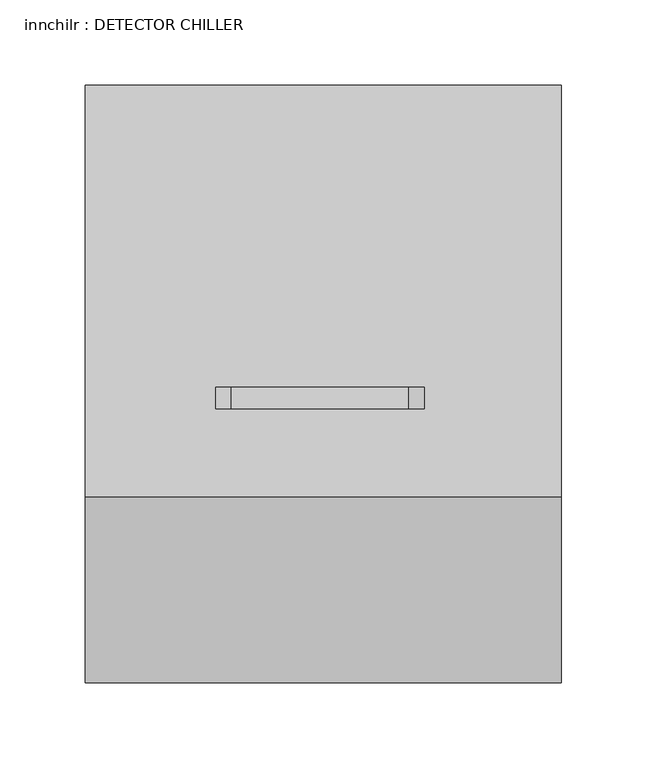
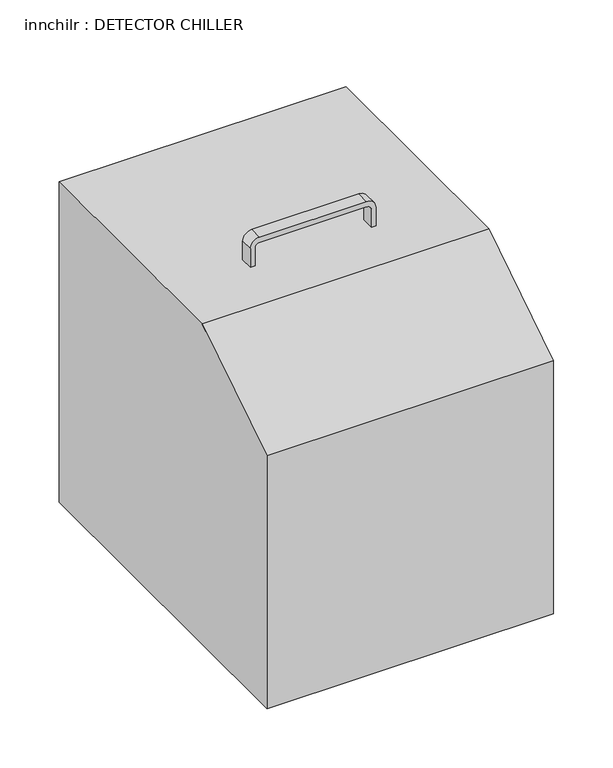
"""IFC4 building model written with IfcOpenShell, lengths in millimetres: proxy geometry, innchilr : DETECTOR CHILLER."""

from ifc_helpers import new_model, si_unit, point, frame, frame_2d, origin, place, context, project, spatial, polyline, circle_curve, trimmed, segment, composite_curve, outline, extrude, source, transform, mapped, element, save


def innchilr_detector_chiller_fc7035a5(model_context):
    return source(origin(), model_context, "Body", "SweptSolid", [
        extrude(outline(composite_curve([segment(polyline([(1441.5887015, 1.9879563), (1422.4, 1.9879563), (1422.4, 6.7575799), (1441.45, 6.7575799)]), True, "CONTINUOUS"), segment(trimmed(circle_curve(frame_2d((1441.45, 10.5998021)), 3.8422223), [point((1441.45, 6.7575799))], [point((1445.2112775, 11.384317))], True, "CARTESIAN"), True, "CONTINUOUS"), segment(polyline([(1445.2112775, 11.384317), (1445.2112775, 115.3246183)]), True, "CONTINUOUS"), segment(trimmed(circle_curve(frame_2d((1440.4849704, 115.3246183)), 4.7263071), [point((1445.2112775, 115.3246183))], [point((1441.45, 119.9513554))], True, "CARTESIAN"), True, "CONTINUOUS"), segment(polyline([(1441.45, 119.9513554), (1422.4, 119.9513554), (1422.4, 124.3048744), (1441.5887015, 124.3048744)]), True, "CONTINUOUS"), segment(trimmed(circle_curve(frame_2d((1441.5887015, 115.3246183)), 8.9802561), [point((1441.5887015, 124.3048744))], [point((1450.5689576, 115.3246183))], False, "CARTESIAN"), True, "CONTINUOUS"), segment(polyline([(1450.5689576, 115.3246183), (1450.5689576, 10.9682125)]), True, "CONTINUOUS"), segment(trimmed(circle_curve(frame_2d((1441.5887015, 10.9682125)), 8.9802561), [point((1450.5689576, 10.9682125))], [point((1441.5887015, 1.9879563))], False, "CARTESIAN"), True, "CONTINUOUS")], self_intersect=False)), frame((0.0, -98.6188668, 0.0), z_axis=(0.0, 1.0, 0.0), x_axis=(0.0, 0.0, 1.0)), (0.0, 0.0, 1.0), 12.8010137),
        extrude(outline(polyline([(-259.2170561, 1352.55), (-149.9970561, 1422.4), (91.3029439, 1422.4), (91.3029439, 1092.2), (-259.2170561, 1092.2), (-259.2170561, 1352.55)])), frame((-74.6306378, 0.0, 0.0), z_axis=(1.0, 0.0, 0.0), x_axis=(0.0, 1.0, 0.0)), (0.0, 0.0, 1.0), 279.4),
    ])


if __name__ == "__main__":
    model = new_model("IFC4")
    model_context = context("Model", 3, world=origin())
    ifc_project = project(units=[si_unit("LENGTHUNIT", "METRE", prefix="MILLI")], contexts=[model_context])
    site = spatial("IfcSite", under=ifc_project)
    building = spatial("IfcBuilding", under=site)
    placement = place(None, origin())
    innchilr_detector_chiller_shape = innchilr_detector_chiller_fc7035a5(model_context)
    element("IfcBuildingElementProxy", 1, Name="innchilr : DETECTOR CHILLER", ObjectType="innchilr : DETECTOR CHILLER", at=placement, inside=building, context=model_context, shape_type="MappedRepresentation", body=[
        mapped(innchilr_detector_chiller_shape, transform((0.0, 0.0, 0.0), x_axis=(1.0, 0.0, 0.0), y_axis=(0.0, 1.0, 0.0), z_axis=(0.0, 0.0, 1.0))),
    ])
    save(model, "model.ifc")
